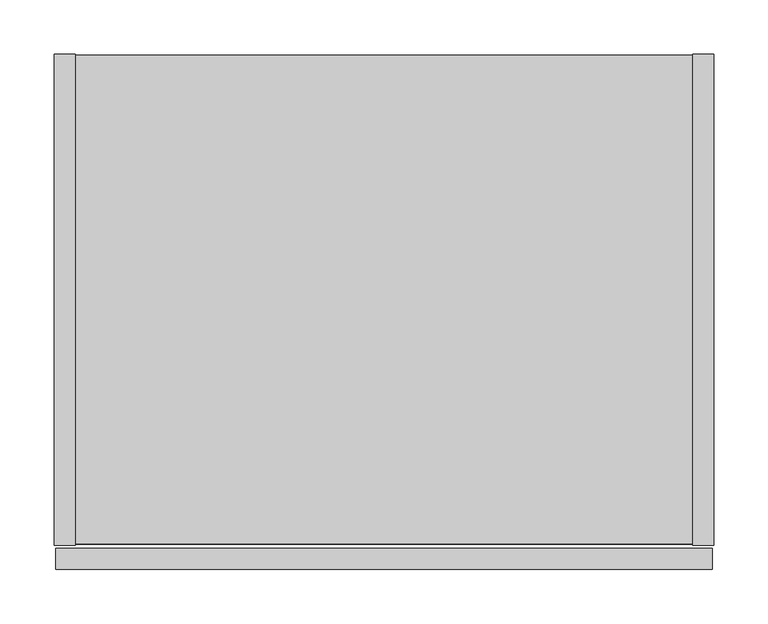
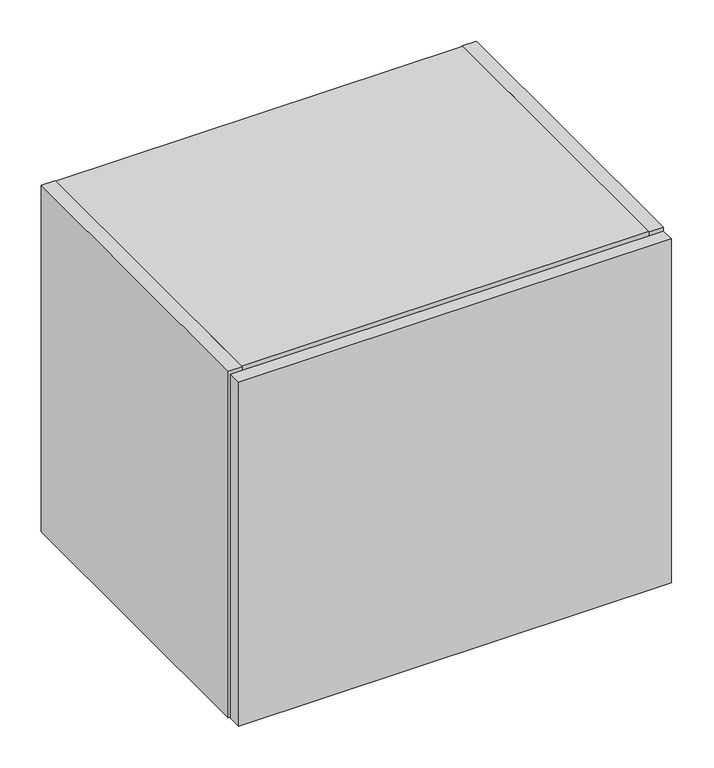
"""IFC4 building model written with IfcOpenShell, lengths in millimetres: furniture geometry."""

from ifc_helpers import new_model, si_unit, point, frame, frame_2d, origin, place, context, project, spatial, polyline, circle_curve, trimmed, segment, composite_curve, outline, extrude, source, transform, mapped, element, save


def furniture_f16ac497(model_context):
    return source(origin(), model_context, "Body", "SweptSolid", [
        extrude(outline(polyline([(608.0125, -476.504), (1.5875, -476.504), (1.5875, -457.2), (608.0125, -457.2), (608.0125, -476.504)])), frame((0.0, 0.0, 325.628), z_axis=(0.0, 0.0, 1.0), x_axis=(1.0, 0.0, 0.0)), (0.0, 0.0, 1.0), 509.397),
        extrude(outline(polyline([(19.304, 0.0), (19.304, -454.025), (0.0, -454.025), (0.0, 0.0), (19.304, 0.0)])), frame((0.0, 0.0, 325.628), z_axis=(0.0, 0.0, 1.0), x_axis=(1.0, 0.0, 0.0)), (0.0, 0.0, 1.0), 512.572),
        extrude(outline(composite_curve([segment(polyline([(-454.025, 838.2), (0.0, 838.2), (0.0, 761.492), (-9.3963729, 761.492)]), True, "CONTINUOUS"), segment(trimmed(circle_curve(frame_2d((-9.3963729, 758.1883729)), 3.3036271), [point((-9.3963729, 761.492))], [point((-12.7, 758.1883729))], True, "CARTESIAN"), True, "CONTINUOUS"), segment(polyline([(-12.7, 758.1883729), (-12.7, 656.844)]), True, "CONTINUOUS"), segment(trimmed(circle_curve(frame_2d((-9.398, 656.844)), 3.302), [point((-12.7, 656.844))], [point((-9.398, 653.542))], True, "CARTESIAN"), True, "CONTINUOUS"), segment(polyline([(-9.398, 653.542), (0.0, 653.542), (0.0, 325.628), (-454.025, 325.628), (-454.025, 838.2)]), True, "CONTINUOUS")], self_intersect=False)), frame((590.296, 0.0, 0.0), z_axis=(1.0, 0.0, 0.0), x_axis=(0.0, 1.0, 0.0)), (0.0, 0.0, 1.0), 19.304),
        extrude(outline(polyline([(590.296, -0.9906), (590.296, -453.0344), (19.304, -453.0344), (19.304, -0.9906), (590.296, -0.9906)])), frame((0.0, 0.0, 326.6186), z_axis=(0.0, 0.0, 1.0), x_axis=(1.0, 0.0, 0.0)), (0.0, 0.0, 1.0), 19.304),
        extrude(outline(composite_curve([segment(polyline([(-32.004, 818.896), (-11.938, 818.896), (-11.938, 760.2988429)]), True, "CONTINUOUS"), segment(trimmed(circle_curve(frame_2d((-9.3963729, 758.1883729)), 3.3036271), [point((-11.938, 760.2988429))], [point((-12.7, 758.1883729))], True, "CARTESIAN"), True, "CONTINUOUS"), segment(polyline([(-12.7, 758.1883729), (-12.7, 656.844)]), True, "CONTINUOUS"), segment(trimmed(circle_curve(frame_2d((-9.398, 656.844)), 3.302), [point((-12.7, 656.844))], [point((-11.938, 654.7341175))], True, "CARTESIAN"), True, "CONTINUOUS"), segment(polyline([(-11.938, 654.7341175), (-11.938, 345.9226), (-32.004, 345.9226), (-32.004, 818.896)]), True, "CONTINUOUS")], self_intersect=False)), frame((19.304, 0.0, 0.0), z_axis=(1.0, 0.0, 0.0), x_axis=(0.0, 1.0, 0.0)), (0.0, 0.0, 1.0), 570.992),
        extrude(outline(polyline([(590.296, -453.0344), (19.304, -453.0344), (19.304, -0.9906), (590.296, -0.9906), (590.296, -453.0344)])), frame((0.0, 0.0, 818.896), z_axis=(0.0, 0.0, 1.0), x_axis=(1.0, 0.0, 0.0)), (0.0, 0.0, 1.0), 19.304),
    ])


if __name__ == "__main__":
    model = new_model("IFC4")
    model_context = context("Model", 3, world=origin())
    ifc_project = project(units=[si_unit("LENGTHUNIT", "METRE", prefix="MILLI")], contexts=[model_context])
    site = spatial("IfcSite", under=ifc_project)
    building = spatial("IfcBuilding", under=site)
    placement = place(None, origin())
    furniture_shape = furniture_f16ac497(model_context)
    element("IfcFurniture", 1, at=placement, inside=building, context=model_context, shape_type="MappedRepresentation", body=[
        mapped(furniture_shape, transform((0.0, 0.0, 0.0), x_axis=(1.0, 0.0, 0.0), y_axis=(0.0, 1.0, 0.0), z_axis=(0.0, 0.0, 1.0))),
    ])
    save(model, "model.ifc")
